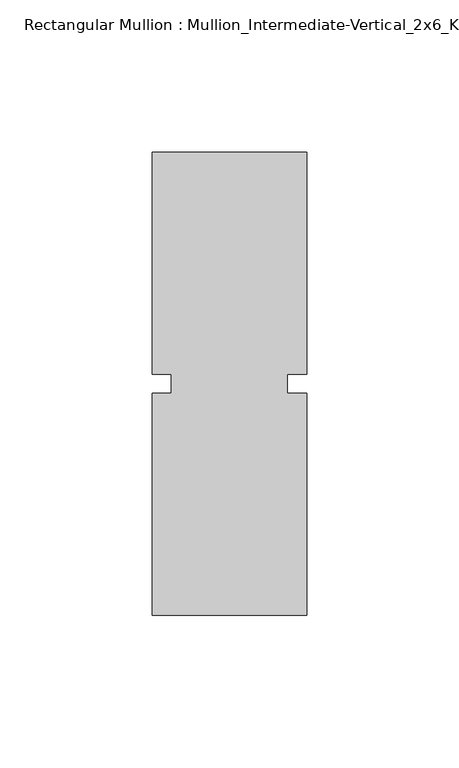
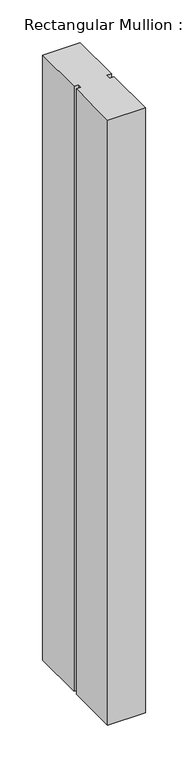
"""IFC4 building model written with IfcOpenShell, lengths in millimetres: member geometry, Rectangular Mullion : Mullion_Intermediate-Vertical_2x6_Kawneer."""

import ifcopenshell
import ifcopenshell.guid

model = None  # the IFC model being written
_history = None  # IfcOwnerHistory: only IFC2X3 demands one
_inside = {}  # id of a spatial element -> (the spatial element, [elements in it])
_under = {}  # id of a project, library or spatial element -> (it, [spatial elements below it])
_declared = {}  # id of a project -> (the project, [libraries it declares])
_typed = {}  # id of a type object -> (the type object, [elements of that type])
_made_of = {}  # id of a material, layer set ... -> (it, [elements and type objects made of it])


def new_model(schema):
    """Start an empty IFC model of exactly this schema.

    Asked for "IFC4X3", IfcOpenShell would pick the latest addendum, in which some entities
    have other attributes; the version numbers below select the first issue.
    IFC2X3 requires an IfcOwnerHistory on every rooted entity: one is made here for all.
    """
    global model, _history
    if schema == "IFC4X3":
        model = ifcopenshell.file(schema_version=(4, 3, 0, 0))
    else:
        model = ifcopenshell.file(schema=schema)
    _inside.clear()
    _under.clear()
    _declared.clear()
    _typed.clear()
    _made_of.clear()
    _history = None
    if model.schema == "IFC2X3":
        org = make("IfcOrganization", Name="unknown")
        user = make(
            "IfcPersonAndOrganization",
            ThePerson=make("IfcPerson", FamilyName="unknown"),
            TheOrganization=org,
        )
        app = make(
            "IfcApplication",
            ApplicationDeveloper=org,
            Version="unknown",
            ApplicationFullName="unknown",
            ApplicationIdentifier="unknown",
        )
        _history = make(
            "IfcOwnerHistory",
            OwningUser=user,
            OwningApplication=app,
            ChangeAction="ADDED",
            CreationDate=0,
        )
    return model


def make(cls, **values):
    """One entity of the class cls with the attributes given. An attribute that is None is left unset."""
    return model.create_entity(
        cls, **{name: value for name, value in values.items() if value is not None}
    )


def rooted(cls, **values):
    """An entity with a GlobalId (a new one), such as an element, a storey or a relation."""
    return make(cls, GlobalId=ifcopenshell.guid.new(), OwnerHistory=_history, **values)


def si_unit(unit_type, name, prefix=None):
    """IfcSIUnit, for example si_unit("LENGTHUNIT", "METRE", prefix="MILLI")."""
    return make("IfcSIUnit", UnitType=unit_type, Prefix=prefix, Name=name)


def assignment(units):
    """IfcUnitAssignment: the units of a project."""
    return None if units is None else make("IfcUnitAssignment", Units=units)


def point(xyz):
    """IfcCartesianPoint."""
    return None if xyz is None else make("IfcCartesianPoint", Coordinates=xyz)


def direction(xyz):
    """IfcDirection."""
    return None if xyz is None else make("IfcDirection", DirectionRatios=xyz)


def frame(location, z_axis=None, x_axis=None):
    """IfcAxis2Placement3D, a coordinate frame: its origin and axes. An axis left out is left unset."""
    return make(
        "IfcAxis2Placement3D",
        Location=point(location),
        Axis=direction(z_axis),
        RefDirection=direction(x_axis),
    )


def origin():
    """The frame at (0, 0, 0) with its axes left unset."""
    return frame((0.0, 0.0, 0.0))


def place(relative_to, where):
    """IfcLocalPlacement: puts the frame where relative to a parent placement (None: the world)."""
    return make(
        "IfcLocalPlacement", PlacementRelTo=relative_to, RelativePlacement=where
    )


def context(
    kind, dimensions, precision=None, world=None, true_north=None, identifier=None
):
    """IfcGeometricRepresentationContext, for example the 3D "Model" context."""
    return make(
        "IfcGeometricRepresentationContext",
        ContextIdentifier=identifier,
        ContextType=kind,
        CoordinateSpaceDimension=dimensions,
        Precision=precision,
        WorldCoordinateSystem=world,
        TrueNorth=true_north,
    )


def project(units=None, contexts=None):
    """IfcProject with its units and contexts."""
    return rooted(
        "IfcProject",
        Name="project",
        RepresentationContexts=contexts,
        UnitsInContext=assignment(units),
    )


def spatial(cls, under=None, at=None, **own):
    """A site, building, storey or space (cls), placed at a placement, below another one or the project."""
    s = rooted(cls, ObjectPlacement=at, **own)
    if under is not None:
        _under.setdefault(under.id(), (under, []))[1].append(s)
    return s


def polyline(points):
    """IfcPolyline through the points."""
    return make("IfcPolyline", Points=[point(p) for p in points])


def outline(outer, holes=None, kind="AREA"):
    """IfcArbitraryClosedProfileDef: a profile drawn as a closed curve; with holes, ...WithVoids."""
    if holes is None:
        return make("IfcArbitraryClosedProfileDef", ProfileType=kind, OuterCurve=outer)
    return make(
        "IfcArbitraryProfileDefWithVoids",
        ProfileType=kind,
        OuterCurve=outer,
        InnerCurves=holes,
    )


def extrude(swept, where, along, depth):
    """IfcExtrudedAreaSolid: the profile swept, set in the frame where, extruded along a direction by depth."""
    return make(
        "IfcExtrudedAreaSolid",
        SweptArea=swept,
        Position=where,
        ExtrudedDirection=direction(along),
        Depth=depth,
    )


def shape(context_of_items, identifier, shape_type, items):
    """IfcShapeRepresentation: the items that make up one representation, for example the "Body"."""
    return make(
        "IfcShapeRepresentation",
        ContextOfItems=context_of_items,
        RepresentationIdentifier=identifier,
        RepresentationType=shape_type,
        Items=items,
    )


def source(mapping_origin, context_of_items, identifier, shape_type, items):
    """IfcRepresentationMap: a shape defined once, which mapped items show again and again."""
    return make(
        "IfcRepresentationMap",
        MappingOrigin=mapping_origin,
        MappedRepresentation=shape(context_of_items, identifier, shape_type, items),
    )


def transform(
    local_origin,
    x_axis=None,
    y_axis=None,
    z_axis=None,
    scale=None,
    scale2=None,
    scale3=None,
    uniform=True,
):
    """IfcCartesianTransformationOperator3D, or its non-uniform kind. x_axis, y_axis, z_axis: its Axis1, 2, 3."""
    if uniform:
        return make(
            "IfcCartesianTransformationOperator3D",
            Axis1=direction(x_axis),
            Axis2=direction(y_axis),
            LocalOrigin=point(local_origin),
            Scale=scale,
            Axis3=direction(z_axis),
        )
    return make(
        "IfcCartesianTransformationOperator3DnonUniform",
        Axis1=direction(x_axis),
        Axis2=direction(y_axis),
        LocalOrigin=point(local_origin),
        Scale=scale,
        Axis3=direction(z_axis),
        Scale2=scale2,
        Scale3=scale3,
    )


def mapped(mapping_source, mapping_target):
    """IfcMappedItem: shows the shape of a source again, moved by a transform."""
    return make(
        "IfcMappedItem", MappingSource=mapping_source, MappingTarget=mapping_target
    )


def made_of(thing, what):
    """Note that an element or type object is made of a material, layer set ...; save() writes the relation."""
    if what is not None:
        _made_of.setdefault(what.id(), (what, []))[1].append(thing)
    return thing


def element(
    cls,
    number,
    at=None,
    inside=None,
    cuts=None,
    type_object=None,
    material=None,
    context=None,
    identifier="Body",
    shape_type=None,
    held_by="IfcProductDefinitionShape",
    body=None,
    shapes=None,
    **own,
):
    """One element of the class cls, such as IfcWall. Its Tag is "e" and its number.

    at: its placement. inside: the storey or other place that contains it. cuts: it is an
    opening in that element (IfcRelVoidsElement). A single representation is given by context,
    identifier, shape_type and body (its items); several are given by shapes. held_by: the class
    of the entity that holds the representations. save() writes the other relations.
    """
    e = rooted(cls, Tag="e%d" % number, ObjectPlacement=at, **own)
    if body is not None:
        shapes = [shape(context, identifier, shape_type, body)]
    if shapes is not None:
        e.Representation = make(held_by, Representations=shapes)
    if inside is not None:
        _inside.setdefault(inside.id(), (inside, []))[1].append(e)
    if cuts is not None:
        rooted(
            "IfcRelVoidsElement", RelatingBuildingElement=cuts, RelatedOpeningElement=e
        )
    if type_object is not None:
        _typed.setdefault(type_object.id(), (type_object, []))[1].append(e)
    return made_of(e, material)


def aggregate(whole, parts):
    """IfcRelAggregates: a whole, such as a stair, and the parts it consists of."""
    return rooted("IfcRelAggregates", RelatingObject=whole, RelatedObjects=parts)


def save(model, path):
    """Write the relations noted so far, then the file.

    IfcRelAggregates (storeys below a building ...), IfcRelContainedInSpatialStructure (elements
    in a storey), IfcRelDefinesByType, IfcRelAssociatesMaterial and IfcRelDeclares: one each for
    every whole, place, type object, material and project.
    """
    for whole, parts in _under.values():
        aggregate(whole, parts)
    for where, things in _inside.values():
        rooted(
            "IfcRelContainedInSpatialStructure",
            RelatedElements=things,
            RelatingStructure=where,
        )
    for kind, things in _typed.values():
        rooted("IfcRelDefinesByType", RelatedObjects=things, RelatingType=kind)
    for what, things in _made_of.values():
        rooted("IfcRelAssociatesMaterial", RelatedObjects=things, RelatingMaterial=what)
    for by, libraries in _declared.values():
        rooted("IfcRelDeclares", RelatingContext=by, RelatedDefinitions=libraries)
    model.write(path)


def rectangular_mullion_mullion_intermediate_vertical_2x6_41e6b7fc(model_context):
    return source(origin(), model_context, "Body", "SweptSolid", [
        extrude(outline(polyline([(25.4, -76.2), (-25.4, -76.2), (-25.4, -3.175), (-19.05, -3.175), (-19.05, 3.175), (-25.4, 3.175), (-25.4, 76.2), (25.4, 76.2), (25.4, 3.175), (19.05, 3.175), (19.05, -3.175), (25.4, -3.175), (25.4, -76.2)])), frame((0.0, 0.0, -863.6), z_axis=(0.0, 0.0, 1.0), x_axis=(1.0, 0.0, 0.0)), (0.0, 0.0, 1.0), 863.6),
    ])


if __name__ == "__main__":
    model = new_model("IFC4")
    model_context = context("Model", 3, world=origin())
    ifc_project = project(units=[si_unit("LENGTHUNIT", "METRE", prefix="MILLI")], contexts=[model_context])
    site = spatial("IfcSite", under=ifc_project)
    building = spatial("IfcBuilding", under=site)
    placement = place(None, origin())
    rectangular_mullion_mullion_intermediate_vertical_2x6_shape = rectangular_mullion_mullion_intermediate_vertical_2x6_41e6b7fc(model_context)
    element("IfcMember", 1, ObjectType="Rectangular Mullion : Mullion_Intermediate-Vertical_2x6_Kawneer", at=placement, inside=building, context=model_context, shape_type="MappedRepresentation", body=[
        mapped(rectangular_mullion_mullion_intermediate_vertical_2x6_shape, transform((0.0, 0.0, 0.0), x_axis=(1.0, 0.0, 0.0), y_axis=(0.0, 1.0, 0.0), z_axis=(0.0, 0.0, 1.0))),
    ])
    save(model, "model.ifc")
